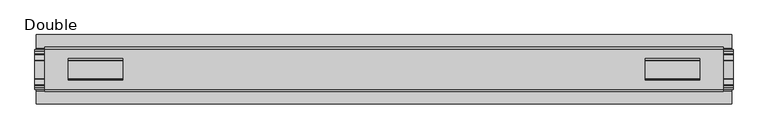
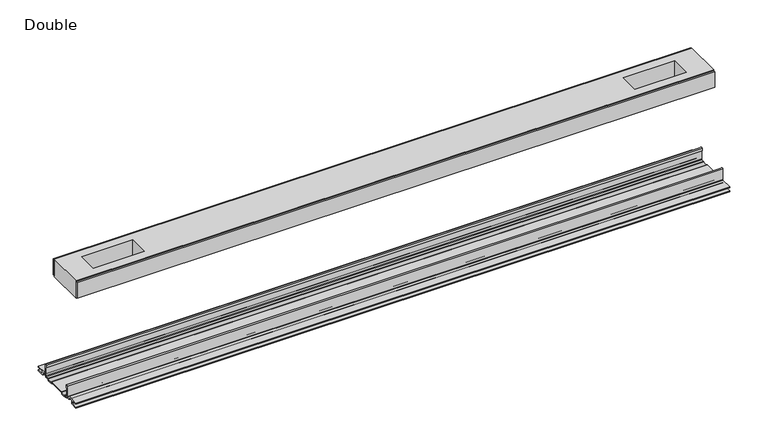
"""IFC4 building model written with IfcOpenShell, lengths in millimetres: proxy geometry, Double."""

import ifcopenshell
import ifcopenshell.guid

model = None  # the IFC model being written
_history = None  # IfcOwnerHistory: only IFC2X3 demands one
_inside = {}  # id of a spatial element -> (the spatial element, [elements in it])
_under = {}  # id of a project, library or spatial element -> (it, [spatial elements below it])
_declared = {}  # id of a project -> (the project, [libraries it declares])
_typed = {}  # id of a type object -> (the type object, [elements of that type])
_made_of = {}  # id of a material, layer set ... -> (it, [elements and type objects made of it])


def new_model(schema):
    """Start an empty IFC model of exactly this schema.

    Asked for "IFC4X3", IfcOpenShell would pick the latest addendum, in which some entities
    have other attributes; the version numbers below select the first issue.
    IFC2X3 requires an IfcOwnerHistory on every rooted entity: one is made here for all.
    """
    global model, _history
    if schema == "IFC4X3":
        model = ifcopenshell.file(schema_version=(4, 3, 0, 0))
    else:
        model = ifcopenshell.file(schema=schema)
    _inside.clear()
    _under.clear()
    _declared.clear()
    _typed.clear()
    _made_of.clear()
    _history = None
    if model.schema == "IFC2X3":
        org = make("IfcOrganization", Name="unknown")
        user = make(
            "IfcPersonAndOrganization",
            ThePerson=make("IfcPerson", FamilyName="unknown"),
            TheOrganization=org,
        )
        app = make(
            "IfcApplication",
            ApplicationDeveloper=org,
            Version="unknown",
            ApplicationFullName="unknown",
            ApplicationIdentifier="unknown",
        )
        _history = make(
            "IfcOwnerHistory",
            OwningUser=user,
            OwningApplication=app,
            ChangeAction="ADDED",
            CreationDate=0,
        )
    return model


def make(cls, **values):
    """One entity of the class cls with the attributes given. An attribute that is None is left unset."""
    return model.create_entity(
        cls, **{name: value for name, value in values.items() if value is not None}
    )


def rooted(cls, **values):
    """An entity with a GlobalId (a new one), such as an element, a storey or a relation."""
    return make(cls, GlobalId=ifcopenshell.guid.new(), OwnerHistory=_history, **values)


def si_unit(unit_type, name, prefix=None):
    """IfcSIUnit, for example si_unit("LENGTHUNIT", "METRE", prefix="MILLI")."""
    return make("IfcSIUnit", UnitType=unit_type, Prefix=prefix, Name=name)


def assignment(units):
    """IfcUnitAssignment: the units of a project."""
    return None if units is None else make("IfcUnitAssignment", Units=units)


def point(xyz):
    """IfcCartesianPoint."""
    return None if xyz is None else make("IfcCartesianPoint", Coordinates=xyz)


def direction(xyz):
    """IfcDirection."""
    return None if xyz is None else make("IfcDirection", DirectionRatios=xyz)


def frame(location, z_axis=None, x_axis=None):
    """IfcAxis2Placement3D, a coordinate frame: its origin and axes. An axis left out is left unset."""
    return make(
        "IfcAxis2Placement3D",
        Location=point(location),
        Axis=direction(z_axis),
        RefDirection=direction(x_axis),
    )


def frame_2d(location, x_axis=None):
    """IfcAxis2Placement2D, a coordinate frame in the plane: its origin and x axis."""
    return make(
        "IfcAxis2Placement2D", Location=point(location), RefDirection=direction(x_axis)
    )


def origin():
    """The frame at (0, 0, 0) with its axes left unset."""
    return frame((0.0, 0.0, 0.0))


def place(relative_to, where):
    """IfcLocalPlacement: puts the frame where relative to a parent placement (None: the world)."""
    return make(
        "IfcLocalPlacement", PlacementRelTo=relative_to, RelativePlacement=where
    )


def context(
    kind, dimensions, precision=None, world=None, true_north=None, identifier=None
):
    """IfcGeometricRepresentationContext, for example the 3D "Model" context."""
    return make(
        "IfcGeometricRepresentationContext",
        ContextIdentifier=identifier,
        ContextType=kind,
        CoordinateSpaceDimension=dimensions,
        Precision=precision,
        WorldCoordinateSystem=world,
        TrueNorth=true_north,
    )


def project(units=None, contexts=None):
    """IfcProject with its units and contexts."""
    return rooted(
        "IfcProject",
        Name="project",
        RepresentationContexts=contexts,
        UnitsInContext=assignment(units),
    )


def spatial(cls, under=None, at=None, **own):
    """A site, building, storey or space (cls), placed at a placement, below another one or the project."""
    s = rooted(cls, ObjectPlacement=at, **own)
    if under is not None:
        _under.setdefault(under.id(), (under, []))[1].append(s)
    return s


def polyline(points):
    """IfcPolyline through the points."""
    return make("IfcPolyline", Points=[point(p) for p in points])


def circle_curve(where, radius):
    """IfcCircle in the frame where."""
    return make("IfcCircle", Position=where, Radius=radius)


def trimmed(basis, trim1, trim2, sense, master):
    """IfcTrimmedCurve: the piece of a basis curve between two trims."""
    return make(
        "IfcTrimmedCurve",
        BasisCurve=basis,
        Trim1=trim1,
        Trim2=trim2,
        SenseAgreement=sense,
        MasterRepresentation=master,
    )


def segment(curve, same_sense, transition):
    """IfcCompositeCurveSegment."""
    return make(
        "IfcCompositeCurveSegment",
        Transition=transition,
        SameSense=same_sense,
        ParentCurve=curve,
    )


def composite_curve(segments, self_intersect=None):
    """IfcCompositeCurve: segments joined end to end."""
    return make("IfcCompositeCurve", Segments=segments, SelfIntersect=self_intersect)


def outline(outer, holes=None, kind="AREA"):
    """IfcArbitraryClosedProfileDef: a profile drawn as a closed curve; with holes, ...WithVoids."""
    if holes is None:
        return make("IfcArbitraryClosedProfileDef", ProfileType=kind, OuterCurve=outer)
    return make(
        "IfcArbitraryProfileDefWithVoids",
        ProfileType=kind,
        OuterCurve=outer,
        InnerCurves=holes,
    )


def extrude(swept, where, along, depth):
    """IfcExtrudedAreaSolid: the profile swept, set in the frame where, extruded along a direction by depth."""
    return make(
        "IfcExtrudedAreaSolid",
        SweptArea=swept,
        Position=where,
        ExtrudedDirection=direction(along),
        Depth=depth,
    )


def shape(context_of_items, identifier, shape_type, items):
    """IfcShapeRepresentation: the items that make up one representation, for example the "Body"."""
    return make(
        "IfcShapeRepresentation",
        ContextOfItems=context_of_items,
        RepresentationIdentifier=identifier,
        RepresentationType=shape_type,
        Items=items,
    )


def source(mapping_origin, context_of_items, identifier, shape_type, items):
    """IfcRepresentationMap: a shape defined once, which mapped items show again and again."""
    return make(
        "IfcRepresentationMap",
        MappingOrigin=mapping_origin,
        MappedRepresentation=shape(context_of_items, identifier, shape_type, items),
    )


def transform(
    local_origin,
    x_axis=None,
    y_axis=None,
    z_axis=None,
    scale=None,
    scale2=None,
    scale3=None,
    uniform=True,
):
    """IfcCartesianTransformationOperator3D, or its non-uniform kind. x_axis, y_axis, z_axis: its Axis1, 2, 3."""
    if uniform:
        return make(
            "IfcCartesianTransformationOperator3D",
            Axis1=direction(x_axis),
            Axis2=direction(y_axis),
            LocalOrigin=point(local_origin),
            Scale=scale,
            Axis3=direction(z_axis),
        )
    return make(
        "IfcCartesianTransformationOperator3DnonUniform",
        Axis1=direction(x_axis),
        Axis2=direction(y_axis),
        LocalOrigin=point(local_origin),
        Scale=scale,
        Axis3=direction(z_axis),
        Scale2=scale2,
        Scale3=scale3,
    )


def mapped(mapping_source, mapping_target):
    """IfcMappedItem: shows the shape of a source again, moved by a transform."""
    return make(
        "IfcMappedItem", MappingSource=mapping_source, MappingTarget=mapping_target
    )


def made_of(thing, what):
    """Note that an element or type object is made of a material, layer set ...; save() writes the relation."""
    if what is not None:
        _made_of.setdefault(what.id(), (what, []))[1].append(thing)
    return thing


def element(
    cls,
    number,
    at=None,
    inside=None,
    cuts=None,
    type_object=None,
    material=None,
    context=None,
    identifier="Body",
    shape_type=None,
    held_by="IfcProductDefinitionShape",
    body=None,
    shapes=None,
    **own,
):
    """One element of the class cls, such as IfcWall. Its Tag is "e" and its number.

    at: its placement. inside: the storey or other place that contains it. cuts: it is an
    opening in that element (IfcRelVoidsElement). A single representation is given by context,
    identifier, shape_type and body (its items); several are given by shapes. held_by: the class
    of the entity that holds the representations. save() writes the other relations.
    """
    e = rooted(cls, Tag="e%d" % number, ObjectPlacement=at, **own)
    if body is not None:
        shapes = [shape(context, identifier, shape_type, body)]
    if shapes is not None:
        e.Representation = make(held_by, Representations=shapes)
    if inside is not None:
        _inside.setdefault(inside.id(), (inside, []))[1].append(e)
    if cuts is not None:
        rooted(
            "IfcRelVoidsElement", RelatingBuildingElement=cuts, RelatedOpeningElement=e
        )
    if type_object is not None:
        _typed.setdefault(type_object.id(), (type_object, []))[1].append(e)
    return made_of(e, material)


def aggregate(whole, parts):
    """IfcRelAggregates: a whole, such as a stair, and the parts it consists of."""
    return rooted("IfcRelAggregates", RelatingObject=whole, RelatedObjects=parts)


def save(model, path):
    """Write the relations noted so far, then the file.

    IfcRelAggregates (storeys below a building ...), IfcRelContainedInSpatialStructure (elements
    in a storey), IfcRelDefinesByType, IfcRelAssociatesMaterial and IfcRelDeclares: one each for
    every whole, place, type object, material and project.
    """
    for whole, parts in _under.values():
        aggregate(whole, parts)
    for where, things in _inside.values():
        rooted(
            "IfcRelContainedInSpatialStructure",
            RelatedElements=things,
            RelatingStructure=where,
        )
    for kind, things in _typed.values():
        rooted("IfcRelDefinesByType", RelatedObjects=things, RelatingType=kind)
    for what, things in _made_of.values():
        rooted("IfcRelAssociatesMaterial", RelatedObjects=things, RelatingMaterial=what)
    for by, libraries in _declared.values():
        rooted("IfcRelDeclares", RelatingContext=by, RelatedDefinitions=libraries)
    model.write(path)


def double_ccc50d66(model_context):
    return source(origin(), model_context, "Body", "SweptSolid", [
        extrude(outline(polyline([(492.0615091, 29.0068005), (-492.0615091, 29.0068005), (-492.0615091, 32.1817997), (492.0615091, 32.1817997), (492.0615091, 29.0068005)])), frame((0.0, 0.0, 149.8401622), z_axis=(0.0, 0.0, 1.0), x_axis=(1.0, 0.0, 0.0)), (0.0, 0.0, 1.0), 25.3999939),
        extrude(outline(polyline([(492.0615091, -32.1817997), (-492.0615091, -32.1817997), (-492.0615091, -29.0068005), (492.0615091, -29.0068005), (492.0615091, -32.1817997)])), frame((0.0, 0.0, 149.8401622), z_axis=(0.0, 0.0, 1.0), x_axis=(1.0, 0.0, 0.0)), (0.0, 0.0, 1.0), 25.3999939),
        extrude(outline(polyline([(492.0615091, -29.0068005), (-492.0615091, -29.0068005), (-492.0615091, 29.0068005), (492.0615091, 29.0068005), (492.0615091, -29.0068005)]), holes=[polyline([(457.6444965, -15.1130038), (457.6444965, 15.875003), (378.5996847, 15.875003), (378.5996847, -15.1130038), (457.6444965, -15.1130038)]), polyline([(-457.6444965, -15.1130038), (-378.5996847, -15.1130038), (-378.5996847, 15.875003), (-457.6444965, 15.875003), (-457.6444965, -15.1130038)])]), frame((0.0, 0.0, 148.4185847), z_axis=(0.0, 0.0, 1.0), x_axis=(1.0, 0.0, 0.0)), (0.0, 0.0, 1.0), 27.9999988),
        extrude(outline(composite_curve([segment(trimmed(circle_curve(frame_2d((26.6420561, -7.7516037)), 2.17424), [point((28.8162961, -7.7516037))], [point((26.6420561, -9.9258438))], False, "CARTESIAN"), True, "CONTINUOUS"), segment(polyline([(26.6420561, -9.9258438), (22.3510694, -9.9258438)]), True, "CONTINUOUS"), segment(trimmed(circle_curve(frame_2d((17.7706549, -6.4800016)), 5.7318431), [point((22.3510694, -9.9258438))], [point((13.1902404, -9.9258438))], False, "CARTESIAN"), True, "CONTINUOUS"), segment(polyline([(13.1902404, -9.9258438), (-13.57124, -9.9258438)]), True, "CONTINUOUS"), segment(trimmed(circle_curve(frame_2d((-18.1516545, -6.4800016)), 5.7318431), [point((-13.57124, -9.9258438))], [point((-22.732069, -9.9258438))], False, "CARTESIAN"), True, "CONTINUOUS"), segment(polyline([(-22.732069, -9.9258438), (-27.0230557, -9.9258438)]), True, "CONTINUOUS"), segment(trimmed(circle_curve(frame_2d((-27.0230557, -7.7516037)), 2.17424), [point((-27.0230557, -9.9258438))], [point((-29.1972958, -7.7516037))], False, "CARTESIAN"), True, "CONTINUOUS"), segment(polyline([(-29.1972958, -7.7516037), (-29.1972958, 9.8607558)]), True, "CONTINUOUS"), segment(trimmed(circle_curve(frame_2d((-27.9780978, 9.8607558)), 1.2191979), [point((-29.1972958, 9.8607558))], [point((-26.7588999, 9.8607558))], False, "CARTESIAN"), True, "CONTINUOUS"), segment(polyline([(-26.7588999, 9.8607558), (-26.7588999, 5.9999563), (-28.0390765, 5.9999563), (-28.0390765, -7.7516037)]), True, "CONTINUOUS"), segment(trimmed(circle_curve(frame_2d((-27.0230557, -7.7516037)), 1.0160208), [point((-28.0390765, -7.7516037))], [point((-27.0295728, -8.7676036))], True, "CARTESIAN"), True, "CONTINUOUS"), segment(polyline([(-27.0295728, -8.7676036), (-23.0866222, -8.7676036), (-22.1732605, -8.968753)]), True, "CONTINUOUS"), segment(trimmed(circle_curve(frame_2d((-18.1483018, -6.1259382)), 4.9276657), [point((-22.1732605, -8.968753))], [point((-14.123343, -8.968753))], True, "CARTESIAN"), True, "CONTINUOUS"), segment(polyline([(-14.123343, -8.968753), (-13.2099722, -8.7676036), (12.8289726, -8.7676036), (13.7423434, -8.968753)]), True, "CONTINUOUS"), segment(trimmed(circle_curve(frame_2d((17.7673021, -6.1259382)), 4.9276657), [point((13.7423434, -8.968753))], [point((21.7922609, -8.968753))], True, "CARTESIAN"), True, "CONTINUOUS"), segment(polyline([(21.7922609, -8.968753), (22.7056226, -8.7676036), (26.6485732, -8.7676036)]), True, "CONTINUOUS"), segment(trimmed(circle_curve(frame_2d((26.6420561, -7.7516037)), 1.0160208), [point((26.6485732, -8.7676036))], [point((27.6580769, -7.7516037))], True, "CARTESIAN"), True, "CONTINUOUS"), segment(polyline([(27.6580769, -7.7516037), (27.6580769, 5.9999563), (26.3779003, 5.9999563), (26.3779003, 9.8607558)]), True, "CONTINUOUS"), segment(trimmed(circle_curve(frame_2d((27.5970982, 9.8607558)), 1.2191979), [point((26.3779003, 9.8607558))], [point((28.8162961, 9.8607558))], False, "CARTESIAN"), True, "CONTINUOUS"), segment(polyline([(28.8162961, 9.8607558), (28.8162961, -7.7516037)]), True, "CONTINUOUS")], self_intersect=False)), frame((-506.1204, 0.0, 0.0), z_axis=(1.0, 0.0, 0.0), x_axis=(0.0, 1.0, 0.0)), (0.0, 0.0, 1.0), 1012.2408),
        extrude(outline(composite_curve([segment(polyline([(50.2668422, -13.9898438), (39.6557522, -13.9898438)]), True, "CONTINUOUS"), segment(trimmed(circle_curve(frame_2d((39.6557522, -12.4658438)), 1.524), [point((39.6557522, -13.9898438))], [point((38.1317522, -12.4658438))], False, "CARTESIAN"), True, "CONTINUOUS"), segment(polyline([(38.1317522, -12.4658438), (38.1317522, -7.766844), (31.3054974, -7.766844), (31.3054974, -10.0528438)]), True, "CONTINUOUS"), segment(trimmed(circle_curve(frame_2d((29.7814974, -10.0528438)), 1.524), [point((31.3054974, -10.0528438))], [point((29.7814974, -11.5768438))], False, "CARTESIAN"), True, "CONTINUOUS"), segment(polyline([(29.7814974, -11.5768438), (23.2753553, -11.5768438)]), True, "CONTINUOUS"), segment(trimmed(circle_curve(frame_2d((17.7673021, -6.4968436)), 7.4930002), [point((23.2753553, -11.5768438))], [point((12.5094972, -11.8354331))], False, "CARTESIAN"), True, "CONTINUOUS"), segment(polyline([(12.5094972, -11.8354331), (-12.8904968, -11.8354331)]), True, "CONTINUOUS"), segment(trimmed(circle_curve(frame_2d((-18.1483018, -6.4968436)), 7.4930002), [point((-12.8904968, -11.8354331))], [point((-23.6563549, -11.5768438))], False, "CARTESIAN"), True, "CONTINUOUS"), segment(polyline([(-23.6563549, -11.5768438), (-30.1624971, -11.5768438)]), True, "CONTINUOUS"), segment(trimmed(circle_curve(frame_2d((-30.1624971, -10.0528438)), 1.524), [point((-30.1624971, -11.5768438))], [point((-31.686497, -10.0528438))], False, "CARTESIAN"), True, "CONTINUOUS"), segment(polyline([(-31.686497, -10.0528438), (-31.686497, -7.766844), (-38.5127519, -7.766844), (-38.5127519, -12.4658438)]), True, "CONTINUOUS"), segment(trimmed(circle_curve(frame_2d((-40.0367518, -12.4658438)), 1.524), [point((-38.5127519, -12.4658438))], [point((-40.0367518, -13.9898438))], False, "CARTESIAN"), True, "CONTINUOUS"), segment(polyline([(-40.0367518, -13.9898438), (-50.00625, -13.9898438), (-50.00625, -12.3388438), (-40.1637503, -12.3388438), (-40.1637503, -7.766844), (-50.00625, -7.766844), (-50.00625, -6.1158439), (-31.6239218, -6.1158439)]), True, "CONTINUOUS"), segment(trimmed(circle_curve(frame_2d((-31.6864982, -7.7656583)), 1.6510007), [point((-31.6239218, -6.1158439))], [point((-30.0354975, -7.7656583))], False, "CARTESIAN"), True, "CONTINUOUS"), segment(polyline([(-30.0354975, -7.7656583), (-30.0354975, -9.9258438), (-23.486834, -9.9258438)]), True, "CONTINUOUS"), segment(trimmed(circle_curve(frame_2d((-18.1483018, -5.2268471)), 7.1119966), [point((-23.486834, -9.9258438))], [point((-12.8097695, -9.9258438))], True, "CARTESIAN"), True, "CONTINUOUS"), segment(polyline([(-12.8097695, -9.9258438), (12.4287699, -9.9258438)]), True, "CONTINUOUS"), segment(trimmed(circle_curve(frame_2d((17.7673021, -5.2268471)), 7.1119966), [point((12.4287699, -9.9258438))], [point((23.1058344, -9.9258438))], True, "CARTESIAN"), True, "CONTINUOUS"), segment(polyline([(23.1058344, -9.9258438), (29.6544978, -9.9258438), (29.6544978, -7.6398436)]), True, "CONTINUOUS"), segment(trimmed(circle_curve(frame_2d((31.1784975, -7.6398436)), 1.5239997), [point((29.6544978, -7.6398436))], [point((31.1784975, -6.1158439))], False, "CARTESIAN"), True, "CONTINUOUS"), segment(polyline([(31.1784975, -6.1158439), (50.2668422, -6.1158439), (50.2240211, -7.766844), (39.7827507, -7.766844), (39.7827507, -12.3388438), (50.2240211, -12.3388438), (50.2668422, -13.9898438)]), True, "CONTINUOUS")], self_intersect=False)), frame((-504.4694, 0.0, 0.0), z_axis=(1.0, 0.0, 0.0), x_axis=(0.0, 1.0, 0.0)), (0.0, 0.0, 1.0), 1008.9388),
    ])


if __name__ == "__main__":
    model = new_model("IFC4")
    model_context = context("Model", 3, world=origin())
    ifc_project = project(units=[si_unit("LENGTHUNIT", "METRE", prefix="MILLI")], contexts=[model_context])
    site = spatial("IfcSite", under=ifc_project)
    building = spatial("IfcBuilding", under=site)
    placement = place(None, origin())
    double_shape = double_ccc50d66(model_context)
    element("IfcBuildingElementProxy", 1, Name="Double", ObjectType="Double", at=placement, inside=building, context=model_context, shape_type="MappedRepresentation", body=[
        mapped(double_shape, transform((0.0, 0.0, 0.0), x_axis=(1.0, 0.0, 0.0), y_axis=(0.0, 1.0, 0.0), z_axis=(0.0, 0.0, 1.0))),
    ])
    save(model, "model.ifc")
